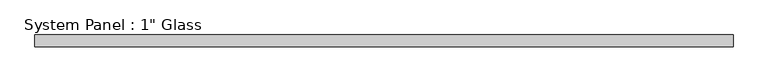
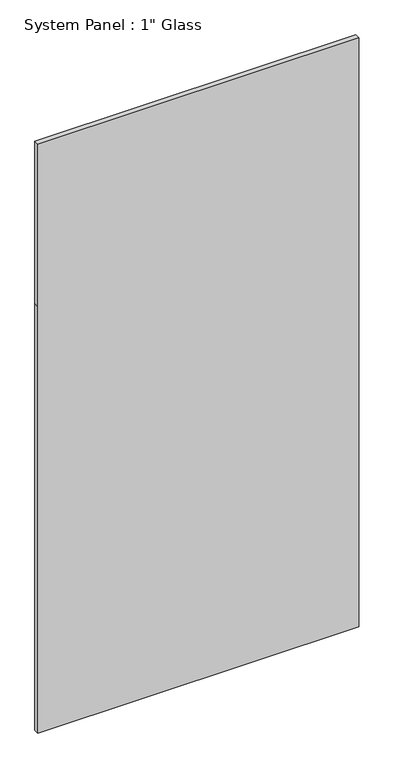
"""IFC4 building model written with IfcOpenShell, lengths in millimetres: plate geometry."""

from ifc_helpers import new_model, si_unit, frame, origin, place, context, project, spatial, polyline, outline, extrude, source, transform, mapped, element, save


def plate_b1235cc4(model_context):
    return source(origin(), model_context, "Body", "SweptSolid", [
        extrude(outline(polyline([(0.0, -762.0), (0.0, 762.0), (2143.125, 762.0), (2959.1, 762.0), (2959.1, -762.0), (2143.125, -762.0), (0.0, -762.0)])), frame((0.0, -12.7, 0.0), z_axis=(0.0, 1.0, 0.0), x_axis=(0.0, 0.0, 1.0)), (0.0, 0.0, 1.0), 25.4),
    ])


if __name__ == "__main__":
    model = new_model("IFC4")
    model_context = context("Model", 3, world=origin())
    ifc_project = project(units=[si_unit("LENGTHUNIT", "METRE", prefix="MILLI")], contexts=[model_context])
    site = spatial("IfcSite", under=ifc_project)
    building = spatial("IfcBuilding", under=site)
    placement = place(None, origin())
    plate_shape = plate_b1235cc4(model_context)
    element("IfcPlate", 1, ObjectType="System Panel : 1\" Glass", at=placement, inside=building, context=model_context, shape_type="MappedRepresentation", body=[
        mapped(plate_shape, transform((0.0, 0.0, 0.0), x_axis=(1.0, 0.0, 0.0), y_axis=(0.0, 1.0, 0.0), z_axis=(0.0, 0.0, 1.0))),
    ])
    save(model, "model.ifc")
